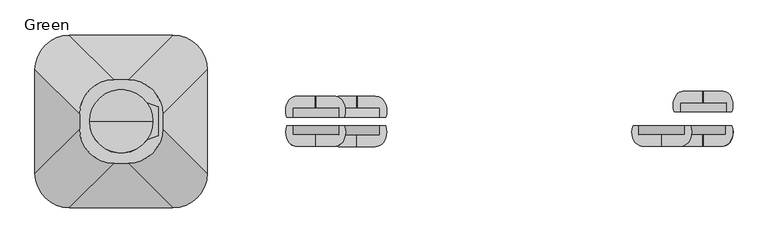
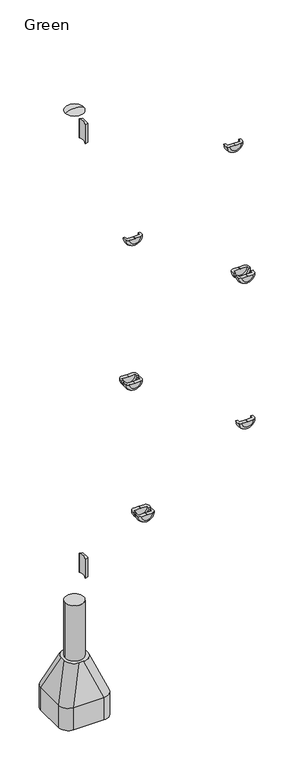
"""IFC4 building model written with IfcOpenShell, lengths in millimetres: furniture geometry, Green."""

from ifc_helpers import new_model, si_unit, point, frame, frame_2d, origin, place, context, project, spatial, polyline, circle_curve, ellipse_curve, trimmed, segment, composite_curve, outline, extrude, source, transform, mapped, element, save
from ifc_brep_helpers import plane_surface, cylinder_surface, revolved_surface, extruded_surface, advanced_brep


def green_6a09c37c(model_context):
    return source(origin(), model_context, "Body", "SolidModel", [
        extrude(outline(composite_curve([segment(trimmed(circle_curve(frame_2d((-627.9777489, 30.3699948)), 1.0), [point((-628.81792, 29.8276734))], [point((-627.6357288, 31.3096874))], False, "CARTESIAN"), True, "CONTINUOUS"), segment(polyline([(-627.6357288, 31.3096874), (-610.9579799, 25.2394832)]), True, "CONTINUOUS"), segment(trimmed(circle_curve(frame_2d((-611.3, 24.2997906)), 1.0), [point((-610.9579799, 25.2394832))], [point((-610.3, 24.2997906))], False, "CARTESIAN"), True, "CONTINUOUS"), segment(polyline([(-610.3, 24.2997906), (-610.3, -24.2997943)]), True, "CONTINUOUS"), segment(trimmed(circle_curve(frame_2d((-611.3, -24.2997943)), 1.0), [point((-610.3, -24.2997943))], [point((-610.9579799, -25.2394869))], False, "CARTESIAN"), True, "CONTINUOUS"), segment(polyline([(-610.9579799, -25.2394869), (-627.6357288, -31.3096911)]), True, "CONTINUOUS"), segment(trimmed(circle_curve(frame_2d((-627.9777489, -30.3699985)), 1.0), [point((-627.6357288, -31.3096911))], [point((-628.81792, -29.8276771))], False, "CARTESIAN"), True, "CONTINUOUS"), segment(trimmed(circle_curve(frame_2d((-675.0273324, -1.9e-06)), 55.0), [point((-628.81792, -29.8276771))], [point((-628.81792, 29.8276734))], True, "CARTESIAN"), True, "CONTINUOUS")], self_intersect=False)), frame((0.0, 0.0, 2790.0), z_axis=(0.0, 0.0, 1.0), x_axis=(1.0, 0.0, 0.0)), (0.0, 0.0, 1.0), 120.0),
        extrude(outline(composite_curve([segment(trimmed(circle_curve(frame_2d((-627.9777489, 30.3699948)), 1.0), [point((-628.81792, 29.8276734))], [point((-627.6357288, 31.3096874))], False, "CARTESIAN"), True, "CONTINUOUS"), segment(polyline([(-627.6357288, 31.3096874), (-610.9579799, 25.2394832)]), True, "CONTINUOUS"), segment(trimmed(circle_curve(frame_2d((-611.3, 24.2997906)), 1.0), [point((-610.9579799, 25.2394832))], [point((-610.3, 24.2997906))], False, "CARTESIAN"), True, "CONTINUOUS"), segment(polyline([(-610.3, 24.2997906), (-610.3, -24.2997943)]), True, "CONTINUOUS"), segment(trimmed(circle_curve(frame_2d((-611.3, -24.2997943)), 1.0), [point((-610.3, -24.2997943))], [point((-610.9579799, -25.2394869))], False, "CARTESIAN"), True, "CONTINUOUS"), segment(polyline([(-610.9579799, -25.2394869), (-627.6357288, -31.3096911)]), True, "CONTINUOUS"), segment(trimmed(circle_curve(frame_2d((-627.9777489, -30.3699985)), 1.0), [point((-627.6357288, -31.3096911))], [point((-628.81792, -29.8276771))], False, "CARTESIAN"), True, "CONTINUOUS"), segment(trimmed(circle_curve(frame_2d((-675.0273324, -1.9e-06)), 55.0), [point((-628.81792, -29.8276771))], [point((-628.81792, 29.8276734))], True, "CARTESIAN"), True, "CONTINUOUS")], self_intersect=False)), frame((0.0, 0.0, 40.0), z_axis=(0.0, 0.0, 1.0), x_axis=(1.0, 0.0, 0.0)), (0.0, 0.0, 1.0), 120.0),
        advanced_brep(
        [(-620.0, 0.0, 3000.0), (-730.0, 0.0, 3000.0), (-675.0, 0.0, 3012.0246565), (-675.0, 0.0, 3000.0)],
        [
            (0, 1, circle_curve(frame((-675.0, 0.0, 3000.0), z_axis=(0.0, 0.0, 1.0), x_axis=(-1.0, 0.0, 0.0)), 55.0)),
            (1, 2, circle_curve(frame((-679.5450144, 0.0, 2901.0177111), z_axis=(0.0, 1.0, 0.0), x_axis=(-1.0, 0.0, 0.0)), 111.0999509)),
            (2, 0, circle_curve(frame((-670.4549856, 0.0, 2901.0177111), z_axis=(0.0, 1.0, 0.0), x_axis=(1.0, 0.0, 0.0)), 111.0999509)),
            (1, 0, circle_curve(frame((-675.0, 0.0, 3000.0), z_axis=(0.0, 0.0, 1.0), x_axis=(-1.0, 0.0, 0.0)), 55.0)),
            (3, 1),
            (0, 3),
        ],
        [
            revolved_surface(trimmed(ellipse_curve(frame((-679.5450144, 0.0, 2901.0177111), z_axis=(0.0, -1.0, 0.0), x_axis=(-1.0, 0.0, 0.0)), 111.0999509, 111.0999509), [point((-675.0, 0.0, 3012.0246565))], [point((-730.0, 0.0, 3000.0))], True, "CARTESIAN"), (-675.0, 0.0, 2619.0), (0.0, 0.0, -1.0)),
            plane_surface(frame((-675.0, 0.0, 3000.0), z_axis=(0.0, 0.0, -1.0), x_axis=(-1.0, 0.0, 0.0))),
        ],
        [
            (0, [[1, 2, 3]]),
            (0, [[4, -3, -2]]),
            (1, [[5, -1, 6]]),
            (1, [[-6, -4, -5]]),
        ],
    ),
        extrude(outline(composite_curve([segment(trimmed(circle_curve(frame_2d((-675.0, 0.0)), 55.0), [point((-730.0, 0.0))], [point((-620.0, 0.0))], False, "CARTESIAN"), True, "CONTINUOUS"), segment(trimmed(circle_curve(frame_2d((-675.0, 0.0)), 55.0), [point((-620.0, 0.0))], [point((-730.0, 0.0))], False, "CARTESIAN"), True, "CONTINUOUS")], self_intersect=False)), frame((0.0, 0.0, -800.0), z_axis=(0.0, 0.0, 1.0), x_axis=(1.0, 0.0, 0.0)), (0.0, 0.0, 1.0), 700.0),
        advanced_brep(
        [(-585.0, 150.0, -800.0), (-525.0, 90.0, -800.0), (-525.0, -90.0, -800.0), (-585.0, -150.0, -800.0), (-765.0, -150.0, -800.0), (-825.0, -90.0, -800.0), (-825.0, 90.0, -800.0), (-765.0, 150.0, -800.0), (-765.0, 150.0, -660.0), (-585.0, 150.0, -660.0), (-825.0, -90.0, -660.0), (-825.0, 90.0, -660.0), (-585.0, -150.0, -660.0), (-765.0, -150.0, -660.0), (-525.0, 90.0, -660.0), (-525.0, -90.0, -660.0), (-687.2959549, 72.6989403, -450.0), (-747.2959549, 12.6989403, -450.0), (-747.2959549, -12.6989403, -450.0), (-687.2959549, -72.6989403, -450.0), (-662.7040451, -72.6989403, -450.0), (-602.7040451, -12.6989403, -450.0), (-602.7040451, 12.6989403, -450.0), (-662.7040451, 72.6989403, -450.0)],
        [
            (0, 1, circle_curve(frame((-585.0, 90.0, -800.0), z_axis=(0.0, 0.0, -1.0), x_axis=(1.0, 0.0, 0.0)), 60.0)),
            (1, 2),
            (2, 3, circle_curve(frame((-585.0, -90.0, -800.0), z_axis=(0.0, 0.0, -1.0), x_axis=(1.0, 0.0, 0.0)), 60.0)),
            (3, 4),
            (4, 5, circle_curve(frame((-765.0, -90.0, -800.0), z_axis=(0.0, 0.0, -1.0), x_axis=(1.0, 0.0, 0.0)), 60.0)),
            (5, 6),
            (6, 7, circle_curve(frame((-765.0, 90.0, -800.0), z_axis=(0.0, 0.0, -1.0), x_axis=(1.0, 0.0, 0.0)), 60.0)),
            (7, 0),
            (7, 8),
            (8, 9),
            (9, 0),
            (5, 10),
            (10, 11),
            (11, 6),
            (3, 12),
            (12, 13),
            (13, 4),
            (1, 14),
            (14, 15),
            (15, 2),
            (16, 17, circle_curve(frame((-687.2959549, 12.6989403, -450.0), z_axis=(0.0, 0.0, 1.0), x_axis=(1.0, 0.0, 0.0)), 60.0)),
            (17, 18),
            (18, 19, circle_curve(frame((-687.2959549, -12.6989403, -450.0), z_axis=(0.0, 0.0, 1.0), x_axis=(1.0, 0.0, 0.0)), 60.0)),
            (19, 20),
            (20, 21, circle_curve(frame((-662.7040451, -12.6989403, -450.0), z_axis=(0.0, 0.0, 1.0), x_axis=(1.0, 0.0, 0.0)), 60.0)),
            (21, 22),
            (22, 23, circle_curve(frame((-662.7040451, 12.6989403, -450.0), z_axis=(0.0, 0.0, 1.0), x_axis=(1.0, 0.0, 0.0)), 60.0)),
            (23, 16),
            (17, 11),
            (10, 18),
            (19, 13),
            (12, 20),
            (21, 15),
            (14, 22),
            (23, 9),
            (8, 16),
            (11, 8, circle_curve(frame((-765.0, 90.0, -660.0), z_axis=(0.0, 0.0, -1.0), x_axis=(1.0, 0.0, 0.0)), 60.0)),
            (13, 10, circle_curve(frame((-765.0, -90.0, -660.0), z_axis=(0.0, 0.0, -1.0), x_axis=(1.0, 0.0, 0.0)), 60.0)),
            (15, 12, circle_curve(frame((-585.0, -90.0, -660.0), z_axis=(0.0, 0.0, -1.0), x_axis=(1.0, 0.0, 0.0)), 60.0)),
            (9, 14, circle_curve(frame((-585.0, 90.0, -660.0), z_axis=(0.0, 0.0, -1.0), x_axis=(1.0, 0.0, 0.0)), 60.0)),
        ],
        [
            plane_surface(frame((-851.6329682, 150.0, -800.0), z_axis=(0.0, 0.0, -1.0), x_axis=(1.0, 0.0, 0.0))),
            plane_surface(frame((-585.0, 150.0, -660.0), z_axis=(0.0, 1.0, 0.0), x_axis=(0.0, 0.0, -1.0))),
            plane_surface(frame((-825.0, 90.0, -660.0), z_axis=(-1.0, 0.0, 0.0), x_axis=(0.0, 0.0, -1.0))),
            plane_surface(frame((-765.0, -150.0, -660.0), z_axis=(0.0, -1.0, 0.0), x_axis=(0.0, 0.0, -1.0))),
            plane_surface(frame((-525.0, -90.0, -660.0), z_axis=(1.0, 0.0, 0.0), x_axis=(0.0, 0.0, -1.0))),
            plane_surface(frame((-675.0, 0.0, -450.0), z_axis=(0.0, 0.0, 1.0), x_axis=(-1.0, 0.0, 0.0))),
            plane_surface(frame((-825.0, 0.0, -660.0), z_axis=(-0.9378559633153523, 0.0, 0.3470247715564883), x_axis=(0.0, -1.0, 0.0))),
            plane_surface(frame((-675.0, -150.0, -660.0), z_axis=(0.0, -0.9384407279810882, 0.3454402988452927), x_axis=(1.0, 0.0, 0.0))),
            plane_surface(frame((-525.0, 0.0, -660.0), z_axis=(0.9378559633153524, 0.0, 0.34702477155648764), x_axis=(0.0, 1.0, 0.0))),
            plane_surface(frame((-675.0, 150.0, -660.0), z_axis=(0.0, 0.9384407279810884, 0.3454402988452924), x_axis=(-1.0, 0.0, 0.0))),
            cylinder_surface(frame((-765.0, 90.0, -800.0), z_axis=(0.0, 0.0, 1.0), x_axis=(1.0, 0.0, 0.0)), 60.0),
            cylinder_surface(frame((-765.0, -90.0, -800.0), z_axis=(0.0, 0.0, 1.0), x_axis=(1.0, 0.0, 0.0)), 60.0),
            cylinder_surface(frame((-585.0, -90.0, -800.0), z_axis=(0.0, 0.0, 1.0), x_axis=(1.0, 0.0, 0.0)), 60.0),
            cylinder_surface(frame((-585.0, 90.0, -800.0), z_axis=(0.0, 0.0, 1.0), x_axis=(1.0, 0.0, 0.0)), 60.0),
            extruded_surface(trimmed(circle_curve(frame((-765.0, 90.0, -660.0), z_axis=(0.0, 0.0, 1.0), x_axis=(1.0, 0.0, 0.0)), 60.0), [point((-765.0, 150.0, -660.0))], [point((-825.0, 90.0, -660.0))], True, "CARTESIAN"), (77.70404510000003, -77.3010597, 210.0), 236.88261324049472),
            extruded_surface(trimmed(circle_curve(frame((-585.0, 90.0, -660.0), z_axis=(0.0, 0.0, 1.0), x_axis=(1.0, 0.0, 0.0)), 60.0), [point((-525.0, 90.0, -660.0))], [point((-585.0, 150.0, -660.0))], True, "CARTESIAN"), (-77.70404510000003, -77.3010597, 210.0), 236.88261324049472),
            extruded_surface(trimmed(circle_curve(frame((-765.0, -90.0, -660.0), z_axis=(0.0, 0.0, 1.0), x_axis=(1.0, 0.0, 0.0)), 60.0), [point((-825.0, -90.0, -660.0))], [point((-765.0, -150.0, -660.0))], True, "CARTESIAN"), (77.70404510000003, 77.3010597, 210.0), 236.88261324049472),
            extruded_surface(trimmed(circle_curve(frame((-585.0, -90.0, -660.0), z_axis=(0.0, 0.0, 1.0), x_axis=(1.0, 0.0, 0.0)), 60.0), [point((-585.0, -150.0, -660.0))], [point((-525.0, -90.0, -660.0))], True, "CARTESIAN"), (-77.70404510000003, 77.3010597, 210.0), 236.88261324049472),
        ],
        [
            (0, [[1, 2, 3, 4, 5, 6, 7, 8]]),
            (1, [[-8, 9, 10, 11]]),
            (2, [[-6, 12, 13, 14]]),
            (3, [[-4, 15, 16, 17]]),
            (4, [[-2, 18, 19, 20]]),
            (5, [[21, 22, 23, 24, 25, 26, 27, 28]]),
            (6, [[-22, 29, -13, 30]]),
            (7, [[-24, 31, -16, 32]]),
            (8, [[-26, 33, -19, 34]]),
            (9, [[-28, 35, -10, 36]]),
            (10, [[-7, -14, 37, -9]]),
            (11, [[-5, -17, 38, -12]]),
            (12, [[-3, -20, 39, -15]]),
            (13, [[-1, -11, 40, -18]]),
            (14, [[-21, -36, -37, -29]]),
            (15, [[-27, -34, -40, -35]]),
            (16, [[-23, -30, -38, -31]]),
            (17, [[-25, -32, -39, -33]]),
        ],
    ),
        advanced_brep(
        [(-286.8, -7.5000023, 2095.0), (-296.8, -7.5000023, 2095.0), (-296.8, -23.6334336, 2095.0), (-336.6, -23.6334336, 2095.0), (-336.6, -43.6334336, 2095.0), (-304.7059358, -43.6334336, 2095.0), (-289.0570442, -34.5545434, 2095.0), (-386.8, -7.5000023, 2095.0), (-384.5429558, -34.5545434, 2095.0), (-368.8940642, -43.6334336, 2095.0), (-337.0, -43.6334336, 2095.0), (-337.0, -23.6334336, 2095.0), (-376.8, -23.6334336, 2095.0), (-376.8, -7.5000023, 2095.0)],
        [
            (0, 1),
            (1, 2),
            (2, 3),
            (3, 4),
            (4, 5),
            (5, 6, circle_curve(frame((-304.7059358, -25.6073286, 2095.0), z_axis=(0.0, 0.0, 1.0), x_axis=(-1.0, 0.0, 0.0)), 18.026105)),
            (6, 0, circle_curve(frame((-316.9513924, -18.6060194, 2095.0), z_axis=(0.0, 0.0, 1.0), x_axis=(-1.0, 0.0, 0.0)), 32.1317612)),
            (7, 8, circle_curve(frame((-356.6486076, -18.6060194, 2095.0), z_axis=(0.0, 0.0, 1.0), x_axis=(1.0, 0.0, 0.0)), 32.1317612)),
            (8, 9, circle_curve(frame((-368.8940642, -25.6073286, 2095.0), z_axis=(0.0, 0.0, 1.0), x_axis=(1.0, 0.0, 0.0)), 18.026105)),
            (9, 10),
            (10, 11),
            (11, 12),
            (12, 13),
            (13, 7),
            (13, 1, circle_curve(frame((-336.8, -7.5000023, 2095.0), z_axis=(0.0, -1.0, 0.0), x_axis=(1.0, 0.0, 0.0)), 40.0)),
            (0, 7, circle_curve(frame((-336.8, -7.5000023, 2095.0), z_axis=(0.0, 1.0, 0.0), x_axis=(1.0, 0.0, 0.0)), 50.0)),
            (12, 2, circle_curve(frame((-336.8, -23.6334336, 2095.0), z_axis=(0.0, -1.0, 0.0), x_axis=(1.0, 0.0, 0.0)), 40.0)),
            (9, 5, circle_curve(frame((-336.8, -43.6334336, 2095.0), z_axis=(0.0, -1.0, 0.0), x_axis=(1.0, 0.0, 0.0)), 32.0940642)),
            (4, 10, circle_curve(frame((-336.8, -43.6334336, 2095.0), z_axis=(0.0, 1.0, 0.0), x_axis=(1.0, 0.0, 0.0)), 0.2)),
            (11, 3, circle_curve(frame((-336.8, -23.6334336, 2095.0), z_axis=(0.0, -1.0, 0.0), x_axis=(1.0, 0.0, 0.0)), 0.2)),
            (8, 6, circle_curve(frame((-336.8, -34.5545434, 2095.0), z_axis=(0.0, -1.0, 0.0), x_axis=(1.0, 0.0, 0.0)), 47.7429558)),
        ],
        [
            plane_surface(frame((-296.8, -7.5000023, 2095.0), z_axis=(0.0, 0.0, 1.0), x_axis=(0.0, 1.0, 0.0))),
            plane_surface(frame((-376.8, -7.5000023, 2095.0), z_axis=(0.0, 0.0, 1.0), x_axis=(0.0, 1.0, 0.0))),
            plane_surface(frame((-336.8, -7.5000023, 2095.0), z_axis=(0.0, 1.0, 0.0), x_axis=(1.0, 0.0, 0.0))),
            revolved_surface(polyline([(-296.8, -7.5000023, 2095.0), (-296.8, -23.633433599999996, 2095.0)]), (-336.8, -7.5000023, 2095.0), (0.0, 1.0, 0.0)),
            plane_surface(frame((-336.8, -43.6334336, 2095.0), z_axis=(0.0, -1.0, 0.0), x_axis=(1.0, 0.0, 0.0))),
            plane_surface(frame((-336.8, -23.6334336, 2095.0), z_axis=(0.0, 1.0, 0.0), x_axis=(1.0, 0.0, 0.0))),
            revolved_surface(polyline([(-336.6, -23.633433599999996, 2095.0), (-336.6, -43.6334336, 2095.0)]), (-336.8, -7.5000023, 2095.0), (0.0, 1.0, 0.0)),
            revolved_surface(trimmed(ellipse_curve(frame((-304.7059358, -25.6073286, 2095.0), z_axis=(0.0, 0.0, 1.0), x_axis=(-1.0, 0.0, 0.0)), 18.026105, 18.026105), [point((-304.7059358, -43.6334336, 2095.0))], [point((-289.0570442, -34.5545434, 2095.0))], True, "CARTESIAN"), (-336.8, -7.5000023, 2095.0), (0.0, 1.0, 0.0)),
            revolved_surface(trimmed(ellipse_curve(frame((-316.9513924, -18.6060194, 2095.0), z_axis=(0.0, 0.0, 1.0), x_axis=(-1.0, 0.0, 0.0)), 32.1317612, 32.1317612), [point((-289.0570442, -34.5545434, 2095.0))], [point((-286.8, -7.5000023, 2095.0))], True, "CARTESIAN"), (-336.8, -7.5000023, 2095.0), (0.0, 1.0, 0.0)),
        ],
        [
            (0, [[1, 2, 3, 4, 5, 6, 7]]),
            (1, [[8, 9, 10, 11, 12, 13, 14]]),
            (2, [[15, -1, 16, -14]]),
            (3, [[17, -2, -15, -13]]),
            (4, [[18, -5, 19, -10]]),
            (5, [[20, -3, -17, -12]]),
            (6, [[-19, -4, -20, -11]]),
            (7, [[21, -6, -18, -9]]),
            (8, [[-16, -7, -21, -8]]),
        ],
    ),
        advanced_brep(
        [(315.2, -7.5000023, 2475.0), (305.2, -7.5000023, 2475.0), (305.2, -23.6334336, 2475.0), (265.4, -23.6334336, 2475.0), (265.4, -43.6334336, 2475.0), (297.2940642, -43.6334336, 2475.0), (312.9429558, -34.5545434, 2475.0), (215.2, -7.5000023, 2475.0), (217.4570442, -34.5545434, 2475.0), (233.1059358, -43.6334336, 2475.0), (265.0, -43.6334336, 2475.0), (265.0, -23.6334336, 2475.0), (225.2, -23.6334336, 2475.0), (225.2, -7.5000023, 2475.0)],
        [
            (0, 1),
            (1, 2),
            (2, 3),
            (3, 4),
            (4, 5),
            (5, 6, circle_curve(frame((297.2940642, -25.6073286, 2475.0), z_axis=(0.0, 0.0, 1.0), x_axis=(-1.0, 0.0, 0.0)), 18.026105)),
            (6, 0, circle_curve(frame((285.0486076, -18.6060194, 2475.0), z_axis=(0.0, 0.0, 1.0), x_axis=(-1.0, 0.0, 0.0)), 32.1317612)),
            (7, 8, circle_curve(frame((245.3513924, -18.6060194, 2475.0), z_axis=(0.0, 0.0, 1.0), x_axis=(1.0, 0.0, 0.0)), 32.1317612)),
            (8, 9, circle_curve(frame((233.1059358, -25.6073286, 2475.0), z_axis=(0.0, 0.0, 1.0), x_axis=(1.0, 0.0, 0.0)), 18.026105)),
            (9, 10),
            (10, 11),
            (11, 12),
            (12, 13),
            (13, 7),
            (13, 1, circle_curve(frame((265.2, -7.5000023, 2475.0), z_axis=(0.0, -1.0, 0.0), x_axis=(1.0, 0.0, 0.0)), 40.0)),
            (0, 7, circle_curve(frame((265.2, -7.5000023, 2475.0), z_axis=(0.0, 1.0, 0.0), x_axis=(1.0, 0.0, 0.0)), 50.0)),
            (12, 2, circle_curve(frame((265.2, -23.6334336, 2475.0), z_axis=(0.0, -1.0, 0.0), x_axis=(1.0, 0.0, 0.0)), 40.0)),
            (9, 5, circle_curve(frame((265.2, -43.6334336, 2475.0), z_axis=(0.0, -1.0, 0.0), x_axis=(1.0, 0.0, 0.0)), 32.0940642)),
            (4, 10, circle_curve(frame((265.2, -43.6334336, 2475.0), z_axis=(0.0, 1.0, 0.0), x_axis=(1.0, 0.0, 0.0)), 0.2)),
            (11, 3, circle_curve(frame((265.2, -23.6334336, 2475.0), z_axis=(0.0, -1.0, 0.0), x_axis=(1.0, 0.0, 0.0)), 0.2)),
            (8, 6, circle_curve(frame((265.2, -34.5545434, 2475.0), z_axis=(0.0, -1.0, 0.0), x_axis=(1.0, 0.0, 0.0)), 47.7429558)),
        ],
        [
            plane_surface(frame((305.2, -7.5000023, 2475.0), z_axis=(0.0, 0.0, 1.0), x_axis=(0.0, 1.0, 0.0))),
            plane_surface(frame((225.2, -7.5000023, 2475.0), z_axis=(0.0, 0.0, 1.0), x_axis=(0.0, 1.0, 0.0))),
            plane_surface(frame((265.2, -7.5000023, 2475.0), z_axis=(0.0, 1.0, 0.0), x_axis=(1.0, 0.0, 0.0))),
            revolved_surface(polyline([(305.2, -7.5000023, 2475.0), (305.2, -23.633433599999996, 2475.0)]), (265.2, -7.5000023, 2475.0), (0.0, 1.0, 0.0)),
            plane_surface(frame((265.2, -43.6334336, 2475.0), z_axis=(0.0, -1.0, 0.0), x_axis=(1.0, 0.0, 0.0))),
            plane_surface(frame((265.2, -23.6334336, 2475.0), z_axis=(0.0, 1.0, 0.0), x_axis=(1.0, 0.0, 0.0))),
            revolved_surface(polyline([(265.4, -23.633433599999996, 2475.0), (265.4, -43.6334336, 2475.0)]), (265.2, -7.5000023, 2475.0), (0.0, 1.0, 0.0)),
            revolved_surface(trimmed(ellipse_curve(frame((297.2940642, -25.6073286, 2475.0), z_axis=(0.0, 0.0, 1.0), x_axis=(-1.0, 0.0, 0.0)), 18.026105, 18.026105), [point((297.2940642, -43.6334336, 2475.0))], [point((312.9429558, -34.5545434, 2475.0))], True, "CARTESIAN"), (265.2, -7.5000023, 2475.0), (0.0, 1.0, 0.0)),
            revolved_surface(trimmed(ellipse_curve(frame((285.0486076, -18.6060194, 2475.0), z_axis=(0.0, 0.0, 1.0), x_axis=(-1.0, 0.0, 0.0)), 32.1317612, 32.1317612), [point((312.9429558, -34.5545434, 2475.0))], [point((315.2, -7.5000023, 2475.0))], True, "CARTESIAN"), (265.2, -7.5000023, 2475.0), (0.0, 1.0, 0.0)),
        ],
        [
            (0, [[1, 2, 3, 4, 5, 6, 7]]),
            (1, [[8, 9, 10, 11, 12, 13, 14]]),
            (2, [[15, -1, 16, -14]]),
            (3, [[17, -2, -15, -13]]),
            (4, [[18, -5, 19, -10]]),
            (5, [[20, -3, -17, -12]]),
            (6, [[-19, -4, -20, -11]]),
            (7, [[21, -6, -18, -9]]),
            (8, [[-16, -7, -21, -8]]),
        ],
    ),
        advanced_brep(
        [(386.8, -7.5000023, 1620.0), (376.8, -7.5000023, 1620.0), (376.8, -23.6334336, 1620.0), (337.0, -23.6334336, 1620.0), (337.0, -43.6334336, 1620.0), (368.8940642, -43.6334336, 1620.0), (384.5429558, -34.5545434, 1620.0), (286.8, -7.5000023, 1620.0), (289.0570442, -34.5545434, 1620.0), (304.7059358, -43.6334336, 1620.0), (336.6, -43.6334336, 1620.0), (336.6, -23.6334336, 1620.0), (296.8, -23.6334336, 1620.0), (296.8, -7.5000023, 1620.0)],
        [
            (0, 1),
            (1, 2),
            (2, 3),
            (3, 4),
            (4, 5),
            (5, 6, circle_curve(frame((368.8940642, -25.6073286, 1620.0), z_axis=(0.0, 0.0, 1.0), x_axis=(-1.0, 0.0, 0.0)), 18.026105)),
            (6, 0, circle_curve(frame((356.6486076, -18.6060194, 1620.0), z_axis=(0.0, 0.0, 1.0), x_axis=(-1.0, 0.0, 0.0)), 32.1317612)),
            (7, 8, circle_curve(frame((316.9513924, -18.6060194, 1620.0), z_axis=(0.0, 0.0, 1.0), x_axis=(1.0, 0.0, 0.0)), 32.1317612)),
            (8, 9, circle_curve(frame((304.7059358, -25.6073286, 1620.0), z_axis=(0.0, 0.0, 1.0), x_axis=(1.0, 0.0, 0.0)), 18.026105)),
            (9, 10),
            (10, 11),
            (11, 12),
            (12, 13),
            (13, 7),
            (13, 1, circle_curve(frame((336.8, -7.5000023, 1620.0), z_axis=(0.0, -1.0, 0.0), x_axis=(1.0, 0.0, 0.0)), 40.0)),
            (0, 7, circle_curve(frame((336.8, -7.5000023, 1620.0), z_axis=(0.0, 1.0, 0.0), x_axis=(1.0, 0.0, 0.0)), 50.0)),
            (12, 2, circle_curve(frame((336.8, -23.6334336, 1620.0), z_axis=(0.0, -1.0, 0.0), x_axis=(1.0, 0.0, 0.0)), 40.0)),
            (9, 5, circle_curve(frame((336.8, -43.6334336, 1620.0), z_axis=(0.0, -1.0, 0.0), x_axis=(1.0, 0.0, 0.0)), 32.0940642)),
            (4, 10, circle_curve(frame((336.8, -43.6334336, 1620.0), z_axis=(0.0, 1.0, 0.0), x_axis=(1.0, 0.0, 0.0)), 0.2)),
            (11, 3, circle_curve(frame((336.8, -23.6334336, 1620.0), z_axis=(0.0, -1.0, 0.0), x_axis=(1.0, 0.0, 0.0)), 0.2)),
            (8, 6, circle_curve(frame((336.8, -34.5545434, 1620.0), z_axis=(0.0, -1.0, 0.0), x_axis=(1.0, 0.0, 0.0)), 47.7429558)),
        ],
        [
            plane_surface(frame((376.8, -7.5000023, 1620.0), z_axis=(0.0, 0.0, 1.0), x_axis=(0.0, 1.0, 0.0))),
            plane_surface(frame((296.8, -7.5000023, 1620.0), z_axis=(0.0, 0.0, 1.0), x_axis=(0.0, 1.0, 0.0))),
            plane_surface(frame((336.8, -7.5000023, 1620.0), z_axis=(0.0, 1.0, 0.0), x_axis=(1.0, 0.0, 0.0))),
            revolved_surface(polyline([(376.8, -7.5000023, 1620.0), (376.8, -23.633433599999996, 1620.0)]), (336.8, -7.5000023, 1620.0), (0.0, 1.0, 0.0)),
            plane_surface(frame((336.8, -43.6334336, 1620.0), z_axis=(0.0, -1.0, 0.0), x_axis=(1.0, 0.0, 0.0))),
            plane_surface(frame((336.8, -23.6334336, 1620.0), z_axis=(0.0, 1.0, 0.0), x_axis=(1.0, 0.0, 0.0))),
            revolved_surface(polyline([(337.0, -23.633433599999996, 1620.0), (337.0, -43.6334336, 1620.0)]), (336.8, -7.5000023, 1620.0), (0.0, 1.0, 0.0)),
            revolved_surface(trimmed(ellipse_curve(frame((368.8940642, -25.6073286, 1620.0), z_axis=(0.0, 0.0, 1.0), x_axis=(-1.0, 0.0, 0.0)), 18.026105, 18.026105), [point((368.8940642, -43.6334336, 1620.0))], [point((384.5429558, -34.5545434, 1620.0))], True, "CARTESIAN"), (336.8, -7.5000023, 1620.0), (0.0, 1.0, 0.0)),
            revolved_surface(trimmed(ellipse_curve(frame((356.6486076, -18.6060194, 1620.0), z_axis=(0.0, 0.0, 1.0), x_axis=(-1.0, 0.0, 0.0)), 32.1317612, 32.1317612), [point((384.5429558, -34.5545434, 1620.0))], [point((386.8, -7.5000023, 1620.0))], True, "CARTESIAN"), (336.8, -7.5000023, 1620.0), (0.0, 1.0, 0.0)),
        ],
        [
            (0, [[1, 2, 3, 4, 5, 6, 7]]),
            (1, [[8, 9, 10, 11, 12, 13, 14]]),
            (2, [[15, -1, 16, -14]]),
            (3, [[17, -2, -15, -13]]),
            (4, [[18, -5, 19, -10]]),
            (5, [[20, -3, -17, -12]]),
            (6, [[-19, -4, -20, -11]]),
            (7, [[21, -6, -18, -9]]),
            (8, [[-16, -7, -21, -8]]),
        ],
    ),
        advanced_brep(
        [(-215.2, -7.5000023, 321.0), (-225.2, -7.5000023, 321.0), (-225.2, -23.6334336, 321.0), (-265.0, -23.6334336, 321.0), (-265.0, -43.6334336, 321.0), (-233.1059358, -43.6334336, 321.0), (-217.4570442, -34.5545434, 321.0), (-315.2, -7.5000023, 321.0), (-312.9429558, -34.5545434, 321.0), (-297.2940642, -43.6334336, 321.0), (-265.4, -43.6334336, 321.0), (-265.4, -23.6334336, 321.0), (-305.2, -23.6334336, 321.0), (-305.2, -7.5000023, 321.0)],
        [
            (0, 1),
            (1, 2),
            (2, 3),
            (3, 4),
            (4, 5),
            (5, 6, circle_curve(frame((-233.1059358, -25.6073286, 321.0), z_axis=(0.0, 0.0, 1.0), x_axis=(-1.0, 0.0, 0.0)), 18.026105)),
            (6, 0, circle_curve(frame((-245.3513924, -18.6060194, 321.0), z_axis=(0.0, 0.0, 1.0), x_axis=(-1.0, 0.0, 0.0)), 32.1317612)),
            (7, 8, circle_curve(frame((-285.0486076, -18.6060194, 321.0), z_axis=(0.0, 0.0, 1.0), x_axis=(1.0, 0.0, 0.0)), 32.1317612)),
            (8, 9, circle_curve(frame((-297.2940642, -25.6073286, 321.0), z_axis=(0.0, 0.0, 1.0), x_axis=(1.0, 0.0, 0.0)), 18.026105)),
            (9, 10),
            (10, 11),
            (11, 12),
            (12, 13),
            (13, 7),
            (13, 1, circle_curve(frame((-265.2, -7.5000023, 321.0), z_axis=(0.0, -1.0, 0.0), x_axis=(1.0, 0.0, 0.0)), 40.0)),
            (0, 7, circle_curve(frame((-265.2, -7.5000023, 321.0), z_axis=(0.0, 1.0, 0.0), x_axis=(1.0, 0.0, 0.0)), 50.0)),
            (12, 2, circle_curve(frame((-265.2, -23.6334336, 321.0), z_axis=(0.0, -1.0, 0.0), x_axis=(1.0, 0.0, 0.0)), 40.0)),
            (9, 5, circle_curve(frame((-265.2, -43.6334336, 321.0), z_axis=(0.0, -1.0, 0.0), x_axis=(1.0, 0.0, 0.0)), 32.0940642)),
            (4, 10, circle_curve(frame((-265.2, -43.6334336, 321.0), z_axis=(0.0, 1.0, 0.0), x_axis=(1.0, 0.0, 0.0)), 0.2)),
            (11, 3, circle_curve(frame((-265.2, -23.6334336, 321.0), z_axis=(0.0, -1.0, 0.0), x_axis=(1.0, 0.0, 0.0)), 0.2)),
            (8, 6, circle_curve(frame((-265.2, -34.5545434, 321.0), z_axis=(0.0, -1.0, 0.0), x_axis=(1.0, 0.0, 0.0)), 47.7429558)),
        ],
        [
            plane_surface(frame((-225.2, -7.5000023, 321.0), z_axis=(0.0, 0.0, 1.0), x_axis=(0.0, 1.0, 0.0))),
            plane_surface(frame((-305.2, -7.5000023, 321.0), z_axis=(0.0, 0.0, 1.0), x_axis=(0.0, 1.0, 0.0))),
            plane_surface(frame((-265.2, -7.5000023, 321.0), z_axis=(0.0, 1.0, 0.0), x_axis=(1.0, 0.0, 0.0))),
            revolved_surface(polyline([(-225.2, -7.5000023, 321.0), (-225.2, -23.633433599999996, 321.0)]), (-265.2, -7.5000023, 321.0), (0.0, 1.0, 0.0)),
            plane_surface(frame((-265.2, -43.6334336, 321.0), z_axis=(0.0, -1.0, 0.0), x_axis=(1.0, 0.0, 0.0))),
            plane_surface(frame((-265.2, -23.6334336, 321.0), z_axis=(0.0, 1.0, 0.0), x_axis=(1.0, 0.0, 0.0))),
            revolved_surface(polyline([(-265.0, -23.633433599999996, 321.0), (-265.0, -43.6334336, 321.0)]), (-265.2, -7.5000023, 321.0), (0.0, 1.0, 0.0)),
            revolved_surface(trimmed(ellipse_curve(frame((-233.1059358, -25.6073286, 321.0), z_axis=(0.0, 0.0, 1.0), x_axis=(-1.0, 0.0, 0.0)), 18.026105, 18.026105), [point((-233.1059358, -43.6334336, 321.0))], [point((-217.4570442, -34.5545434, 321.0))], True, "CARTESIAN"), (-265.2, -7.5000023, 321.0), (0.0, 1.0, 0.0)),
            revolved_surface(trimmed(ellipse_curve(frame((-245.3513924, -18.6060194, 321.0), z_axis=(0.0, 0.0, 1.0), x_axis=(-1.0, 0.0, 0.0)), 32.1317612, 32.1317612), [point((-217.4570442, -34.5545434, 321.0))], [point((-215.2, -7.5000023, 321.0))], True, "CARTESIAN"), (-265.2, -7.5000023, 321.0), (0.0, 1.0, 0.0)),
        ],
        [
            (0, [[1, 2, 3, 4, 5, 6, 7]]),
            (1, [[8, 9, 10, 11, 12, 13, 14]]),
            (2, [[15, -1, 16, -14]]),
            (3, [[17, -2, -15, -13]]),
            (4, [[18, -5, 19, -10]]),
            (5, [[20, -3, -17, -12]]),
            (6, [[-19, -4, -20, -11]]),
            (7, [[21, -6, -18, -9]]),
            (8, [[-16, -7, -21, -8]]),
        ],
    ),
        advanced_brep(
        [(387.2, -7.5000023, 700.0), (377.2, -7.5000023, 700.0), (377.2, -23.6334336, 700.0), (337.4, -23.6334336, 700.0), (337.4, -43.6334336, 700.0), (369.2940642, -43.6334336, 700.0), (384.9429558, -34.5545434, 700.0), (287.2, -7.5000023, 700.0), (289.4570442, -34.5545434, 700.0), (305.1059358, -43.6334336, 700.0), (337.0, -43.6334336, 700.0), (337.0, -23.6334336, 700.0), (297.2, -23.6334336, 700.0), (297.2, -7.5000023, 700.0)],
        [
            (0, 1),
            (1, 2),
            (2, 3),
            (3, 4),
            (4, 5),
            (5, 6, circle_curve(frame((369.2940642, -25.6073286, 700.0), z_axis=(0.0, 0.0, 1.0), x_axis=(-1.0, 0.0, 0.0)), 18.026105)),
            (6, 0, circle_curve(frame((357.0486076, -18.6060194, 700.0), z_axis=(0.0, 0.0, 1.0), x_axis=(-1.0, 0.0, 0.0)), 32.1317612)),
            (7, 8, circle_curve(frame((317.3513924, -18.6060194, 700.0), z_axis=(0.0, 0.0, 1.0), x_axis=(1.0, 0.0, 0.0)), 32.1317612)),
            (8, 9, circle_curve(frame((305.1059358, -25.6073286, 700.0), z_axis=(0.0, 0.0, 1.0), x_axis=(1.0, 0.0, 0.0)), 18.026105)),
            (9, 10),
            (10, 11),
            (11, 12),
            (12, 13),
            (13, 7),
            (13, 1, circle_curve(frame((337.2, -7.5000023, 700.0), z_axis=(0.0, -1.0, 0.0), x_axis=(1.0, 0.0, 0.0)), 40.0)),
            (0, 7, circle_curve(frame((337.2, -7.5000023, 700.0), z_axis=(0.0, 1.0, 0.0), x_axis=(1.0, 0.0, 0.0)), 50.0)),
            (12, 2, circle_curve(frame((337.2, -23.6334336, 700.0), z_axis=(0.0, -1.0, 0.0), x_axis=(1.0, 0.0, 0.0)), 40.0)),
            (9, 5, circle_curve(frame((337.2, -43.6334336, 700.0), z_axis=(0.0, -1.0, 0.0), x_axis=(1.0, 0.0, 0.0)), 32.0940642)),
            (4, 10, circle_curve(frame((337.2, -43.6334336, 700.0), z_axis=(0.0, 1.0, 0.0), x_axis=(1.0, 0.0, 0.0)), 0.2)),
            (11, 3, circle_curve(frame((337.2, -23.6334336, 700.0), z_axis=(0.0, -1.0, 0.0), x_axis=(1.0, 0.0, 0.0)), 0.2)),
            (8, 6, circle_curve(frame((337.2, -34.5545434, 700.0), z_axis=(0.0, -1.0, 0.0), x_axis=(1.0, 0.0, 0.0)), 47.7429558)),
        ],
        [
            plane_surface(frame((377.2, -7.5000023, 700.0), z_axis=(0.0, 0.0, 1.0), x_axis=(0.0, 1.0, 0.0))),
            plane_surface(frame((297.2, -7.5000023, 700.0), z_axis=(0.0, 0.0, 1.0), x_axis=(0.0, 1.0, 0.0))),
            plane_surface(frame((337.2, -7.5000023, 700.0), z_axis=(0.0, 1.0, 0.0), x_axis=(1.0, 0.0, 0.0))),
            revolved_surface(polyline([(377.2, -7.5000023, 700.0), (377.2, -23.633433599999996, 700.0)]), (337.2, -7.5000023, 700.0), (0.0, 1.0, 0.0)),
            plane_surface(frame((337.2, -43.6334336, 700.0), z_axis=(0.0, -1.0, 0.0), x_axis=(1.0, 0.0, 0.0))),
            plane_surface(frame((337.2, -23.6334336, 700.0), z_axis=(0.0, 1.0, 0.0), x_axis=(1.0, 0.0, 0.0))),
            revolved_surface(polyline([(337.4, -23.633433599999996, 700.0), (337.4, -43.6334336, 700.0)]), (337.2, -7.5000023, 700.0), (0.0, 1.0, 0.0)),
            revolved_surface(trimmed(ellipse_curve(frame((369.2940642, -25.6073286, 700.0), z_axis=(0.0, 0.0, 1.0), x_axis=(-1.0, 0.0, 0.0)), 18.026105, 18.026105), [point((369.2940642, -43.6334336, 700.0))], [point((384.9429558, -34.5545434, 700.0))], True, "CARTESIAN"), (337.2, -7.5000023, 700.0), (0.0, 1.0, 0.0)),
            revolved_surface(trimmed(ellipse_curve(frame((357.0486076, -18.6060194, 700.0), z_axis=(0.0, 0.0, 1.0), x_axis=(-1.0, 0.0, 0.0)), 32.1317612, 32.1317612), [point((384.9429558, -34.5545434, 700.0))], [point((387.2, -7.5000023, 700.0))], True, "CARTESIAN"), (337.2, -7.5000023, 700.0), (0.0, 1.0, 0.0)),
        ],
        [
            (0, [[1, 2, 3, 4, 5, 6, 7]]),
            (1, [[8, 9, 10, 11, 12, 13, 14]]),
            (2, [[15, -1, 16, -14]]),
            (3, [[17, -2, -15, -13]]),
            (4, [[18, -5, 19, -10]]),
            (5, [[20, -3, -17, -12]]),
            (6, [[-19, -4, -20, -11]]),
            (7, [[21, -6, -18, -9]]),
            (8, [[-16, -7, -21, -8]]),
        ],
    ),
        advanced_brep(
        [(-286.8, -7.5000023, 1180.0), (-296.8, -7.5000023, 1180.0), (-296.8, -23.6334336, 1180.0), (-336.6, -23.6334336, 1180.0), (-336.6, -43.6334336, 1180.0), (-304.7059358, -43.6334336, 1180.0), (-289.0570442, -34.5545434, 1180.0), (-386.8, -7.5000023, 1180.0), (-384.5429558, -34.5545434, 1180.0), (-368.8940642, -43.6334336, 1180.0), (-337.0, -43.6334336, 1180.0), (-337.0, -23.6334336, 1180.0), (-376.8, -23.6334336, 1180.0), (-376.8, -7.5000023, 1180.0)],
        [
            (0, 1),
            (1, 2),
            (2, 3),
            (3, 4),
            (4, 5),
            (5, 6, circle_curve(frame((-304.7059358, -25.6073286, 1180.0), z_axis=(0.0, 0.0, 1.0), x_axis=(-1.0, 0.0, 0.0)), 18.026105)),
            (6, 0, circle_curve(frame((-316.9513924, -18.6060194, 1180.0), z_axis=(0.0, 0.0, 1.0), x_axis=(-1.0, 0.0, 0.0)), 32.1317612)),
            (7, 8, circle_curve(frame((-356.6486076, -18.6060194, 1180.0), z_axis=(0.0, 0.0, 1.0), x_axis=(1.0, 0.0, 0.0)), 32.1317612)),
            (8, 9, circle_curve(frame((-368.8940642, -25.6073286, 1180.0), z_axis=(0.0, 0.0, 1.0), x_axis=(1.0, 0.0, 0.0)), 18.026105)),
            (9, 10),
            (10, 11),
            (11, 12),
            (12, 13),
            (13, 7),
            (13, 1, circle_curve(frame((-336.8, -7.5000023, 1180.0), z_axis=(0.0, -1.0, 0.0), x_axis=(1.0, 0.0, 0.0)), 40.0)),
            (0, 7, circle_curve(frame((-336.8, -7.5000023, 1180.0), z_axis=(0.0, 1.0, 0.0), x_axis=(1.0, 0.0, 0.0)), 50.0)),
            (12, 2, circle_curve(frame((-336.8, -23.6334336, 1180.0), z_axis=(0.0, -1.0, 0.0), x_axis=(1.0, 0.0, 0.0)), 40.0)),
            (9, 5, circle_curve(frame((-336.8, -43.6334336, 1180.0), z_axis=(0.0, -1.0, 0.0), x_axis=(1.0, 0.0, 0.0)), 32.0940642)),
            (4, 10, circle_curve(frame((-336.8, -43.6334336, 1180.0), z_axis=(0.0, 1.0, 0.0), x_axis=(1.0, 0.0, 0.0)), 0.2)),
            (11, 3, circle_curve(frame((-336.8, -23.6334336, 1180.0), z_axis=(0.0, -1.0, 0.0), x_axis=(1.0, 0.0, 0.0)), 0.2)),
            (8, 6, circle_curve(frame((-336.8, -34.5545434, 1180.0), z_axis=(0.0, -1.0, 0.0), x_axis=(1.0, 0.0, 0.0)), 47.7429558)),
        ],
        [
            plane_surface(frame((-296.8, -7.5000023, 1180.0), z_axis=(0.0, 0.0, 1.0), x_axis=(0.0, 1.0, 0.0))),
            plane_surface(frame((-376.8, -7.5000023, 1180.0), z_axis=(0.0, 0.0, 1.0), x_axis=(0.0, 1.0, 0.0))),
            plane_surface(frame((-336.8, -7.5000023, 1180.0), z_axis=(0.0, 1.0, 0.0), x_axis=(1.0, 0.0, 0.0))),
            revolved_surface(polyline([(-296.8, -7.5000023, 1180.0), (-296.8, -23.633433599999996, 1180.0)]), (-336.8, -7.5000023, 1180.0), (0.0, 1.0, 0.0)),
            plane_surface(frame((-336.8, -43.6334336, 1180.0), z_axis=(0.0, -1.0, 0.0), x_axis=(1.0, 0.0, 0.0))),
            plane_surface(frame((-336.8, -23.6334336, 1180.0), z_axis=(0.0, 1.0, 0.0), x_axis=(1.0, 0.0, 0.0))),
            revolved_surface(polyline([(-336.6, -23.633433599999996, 1180.0), (-336.6, -43.6334336, 1180.0)]), (-336.8, -7.5000023, 1180.0), (0.0, 1.0, 0.0)),
            revolved_surface(trimmed(ellipse_curve(frame((-304.7059358, -25.6073286, 1180.0), z_axis=(0.0, 0.0, 1.0), x_axis=(-1.0, 0.0, 0.0)), 18.026105, 18.026105), [point((-304.7059358, -43.6334336, 1180.0))], [point((-289.0570442, -34.5545434, 1180.0))], True, "CARTESIAN"), (-336.8, -7.5000023, 1180.0), (0.0, 1.0, 0.0)),
            revolved_surface(trimmed(ellipse_curve(frame((-316.9513924, -18.6060194, 1180.0), z_axis=(0.0, 0.0, 1.0), x_axis=(-1.0, 0.0, 0.0)), 32.1317612, 32.1317612), [point((-289.0570442, -34.5545434, 1180.0))], [point((-286.8, -7.5000023, 1180.0))], True, "CARTESIAN"), (-336.8, -7.5000023, 1180.0), (0.0, 1.0, 0.0)),
        ],
        [
            (0, [[1, 2, 3, 4, 5, 6, 7]]),
            (1, [[8, 9, 10, 11, 12, 13, 14]]),
            (2, [[15, -1, 16, -14]]),
            (3, [[17, -2, -15, -13]]),
            (4, [[18, -5, 19, -10]]),
            (5, [[20, -3, -17, -12]]),
            (6, [[-19, -4, -20, -11]]),
            (7, [[21, -6, -18, -9]]),
            (8, [[-16, -7, -21, -8]]),
        ],
    ),
        advanced_brep(
        [(-387.0, 7.5, 1180.0), (-377.0, 7.5, 1180.0), (-377.0, 23.6334312, 1180.0), (-337.2, 23.6334312, 1180.0), (-337.2, 43.6334312, 1180.0), (-369.0940642, 43.6334312, 1180.0), (-384.7429558, 34.554541, 1180.0), (-287.0, 7.5, 1180.0), (-289.2570442, 34.554541, 1180.0), (-304.9059358, 43.6334312, 1180.0), (-336.8, 43.6334312, 1180.0), (-336.8, 23.6334312, 1180.0), (-297.0, 23.6334312, 1180.0), (-297.0, 7.5, 1180.0)],
        [
            (0, 1),
            (1, 2),
            (2, 3),
            (3, 4),
            (4, 5),
            (5, 6, circle_curve(frame((-369.0940642, 25.6073263, 1180.0), z_axis=(0.0, 0.0, 1.0), x_axis=(1.0, 0.0, 0.0)), 18.026105)),
            (6, 0, circle_curve(frame((-356.8486076, 18.606017, 1180.0), z_axis=(0.0, 0.0, 1.0), x_axis=(1.0, 0.0, 0.0)), 32.1317612)),
            (7, 8, circle_curve(frame((-317.1513924, 18.606017, 1180.0), z_axis=(0.0, 0.0, 1.0), x_axis=(-1.0, 0.0, 0.0)), 32.1317612)),
            (8, 9, circle_curve(frame((-304.9059358, 25.6073263, 1180.0), z_axis=(0.0, 0.0, 1.0), x_axis=(-1.0, 0.0, 0.0)), 18.026105)),
            (9, 10),
            (10, 11),
            (11, 12),
            (12, 13),
            (13, 7),
            (13, 1, circle_curve(frame((-337.0, 7.5, 1180.0), z_axis=(0.0, 1.0, 0.0), x_axis=(-1.0, 0.0, 0.0)), 40.0)),
            (0, 7, circle_curve(frame((-337.0, 7.5, 1180.0), z_axis=(0.0, -1.0, 0.0), x_axis=(-1.0, 0.0, 0.0)), 50.0)),
            (12, 2, circle_curve(frame((-337.0, 23.6334312, 1180.0), z_axis=(0.0, 1.0, 0.0), x_axis=(-1.0, 0.0, 0.0)), 40.0)),
            (9, 5, circle_curve(frame((-337.0, 43.6334312, 1180.0), z_axis=(0.0, 1.0, 0.0), x_axis=(-1.0, 0.0, 0.0)), 32.0940642)),
            (4, 10, circle_curve(frame((-337.0, 43.6334312, 1180.0), z_axis=(0.0, -1.0, 0.0), x_axis=(-1.0, 0.0, 0.0)), 0.2)),
            (11, 3, circle_curve(frame((-337.0, 23.6334312, 1180.0), z_axis=(0.0, 1.0, 0.0), x_axis=(-1.0, 0.0, 0.0)), 0.2)),
            (8, 6, circle_curve(frame((-337.0, 34.554541, 1180.0), z_axis=(0.0, 1.0, 0.0), x_axis=(-1.0, 0.0, 0.0)), 47.7429558)),
        ],
        [
            plane_surface(frame((-377.0, 7.5, 1180.0), z_axis=(0.0, 0.0, 1.0), x_axis=(0.0, -1.0, 0.0))),
            plane_surface(frame((-297.0, 7.5, 1180.0), z_axis=(0.0, 0.0, 1.0), x_axis=(0.0, -1.0, 0.0))),
            plane_surface(frame((-337.0, 7.5, 1180.0), z_axis=(0.0, -1.0, 0.0), x_axis=(-1.0, 0.0, 0.0))),
            revolved_surface(polyline([(-377.0, 7.5, 1180.0), (-377.0, 23.6334312, 1180.0)]), (-337.0, 7.5, 1180.0), (0.0, -1.0, 0.0)),
            plane_surface(frame((-337.0, 43.6334312, 1180.0), z_axis=(0.0, 1.0, 0.0), x_axis=(-1.0, 0.0, 0.0))),
            plane_surface(frame((-337.0, 23.6334312, 1180.0), z_axis=(0.0, -1.0, 0.0), x_axis=(-1.0, 0.0, 0.0))),
            revolved_surface(polyline([(-337.2, 23.6334312, 1180.0), (-337.2, 43.6334312, 1180.0)]), (-337.0, 7.5, 1180.0), (0.0, -1.0, 0.0)),
            revolved_surface(trimmed(ellipse_curve(frame((-369.0940642, 25.6073263, 1180.0), z_axis=(0.0, 0.0, 1.0), x_axis=(1.0, 0.0, 0.0)), 18.026105, 18.026105), [point((-369.0940642, 43.6334312, 1180.0))], [point((-384.7429558, 34.554541, 1180.0))], True, "CARTESIAN"), (-337.0, 7.5, 1180.0), (0.0, -1.0, 0.0)),
            revolved_surface(trimmed(ellipse_curve(frame((-356.8486076, 18.606017, 1180.0), z_axis=(0.0, 0.0, 1.0), x_axis=(1.0, 0.0, 0.0)), 32.1317612, 32.1317612), [point((-384.7429558, 34.554541, 1180.0))], [point((-387.0, 7.5, 1180.0))], True, "CARTESIAN"), (-337.0, 7.5, 1180.0), (0.0, -1.0, 0.0)),
        ],
        [
            (0, [[1, 2, 3, 4, 5, 6, 7]]),
            (1, [[8, 9, 10, 11, 12, 13, 14]]),
            (2, [[15, -1, 16, -14]]),
            (3, [[17, -2, -15, -13]]),
            (4, [[18, -5, 19, -10]]),
            (5, [[20, -3, -17, -12]]),
            (6, [[-19, -4, -20, -11]]),
            (7, [[21, -6, -18, -9]]),
            (8, [[-16, -7, -21, -8]]),
        ],
    ),
        advanced_brep(
        [(-315.0, 7.5, 321.0), (-305.0, 7.5, 321.0), (-305.0, 23.6334312, 321.0), (-265.2, 23.6334312, 321.0), (-265.2, 43.6334312, 321.0), (-297.0940642, 43.6334312, 321.0), (-312.7429558, 34.554541, 321.0), (-215.0, 7.5, 321.0), (-217.2570442, 34.554541, 321.0), (-232.9059358, 43.6334312, 321.0), (-264.8, 43.6334312, 321.0), (-264.8, 23.6334312, 321.0), (-225.0, 23.6334312, 321.0), (-225.0, 7.5, 321.0)],
        [
            (0, 1),
            (1, 2),
            (2, 3),
            (3, 4),
            (4, 5),
            (5, 6, circle_curve(frame((-297.0940642, 25.6073263, 321.0), z_axis=(0.0, 0.0, 1.0), x_axis=(1.0, 0.0, 0.0)), 18.026105)),
            (6, 0, circle_curve(frame((-284.8486076, 18.606017, 321.0), z_axis=(0.0, 0.0, 1.0), x_axis=(1.0, 0.0, 0.0)), 32.1317612)),
            (7, 8, circle_curve(frame((-245.1513924, 18.606017, 321.0), z_axis=(0.0, 0.0, 1.0), x_axis=(-1.0, 0.0, 0.0)), 32.1317612)),
            (8, 9, circle_curve(frame((-232.9059358, 25.6073263, 321.0), z_axis=(0.0, 0.0, 1.0), x_axis=(-1.0, 0.0, 0.0)), 18.026105)),
            (9, 10),
            (10, 11),
            (11, 12),
            (12, 13),
            (13, 7),
            (13, 1, circle_curve(frame((-265.0, 7.5, 321.0), z_axis=(0.0, 1.0, 0.0), x_axis=(-1.0, 0.0, 0.0)), 40.0)),
            (0, 7, circle_curve(frame((-265.0, 7.5, 321.0), z_axis=(0.0, -1.0, 0.0), x_axis=(-1.0, 0.0, 0.0)), 50.0)),
            (12, 2, circle_curve(frame((-265.0, 23.6334312, 321.0), z_axis=(0.0, 1.0, 0.0), x_axis=(-1.0, 0.0, 0.0)), 40.0)),
            (9, 5, circle_curve(frame((-265.0, 43.6334312, 321.0), z_axis=(0.0, 1.0, 0.0), x_axis=(-1.0, 0.0, 0.0)), 32.0940642)),
            (4, 10, circle_curve(frame((-265.0, 43.6334312, 321.0), z_axis=(0.0, -1.0, 0.0), x_axis=(-1.0, 0.0, 0.0)), 0.2)),
            (11, 3, circle_curve(frame((-265.0, 23.6334312, 321.0), z_axis=(0.0, 1.0, 0.0), x_axis=(-1.0, 0.0, 0.0)), 0.2)),
            (8, 6, circle_curve(frame((-265.0, 34.554541, 321.0), z_axis=(0.0, 1.0, 0.0), x_axis=(-1.0, 0.0, 0.0)), 47.7429558)),
        ],
        [
            plane_surface(frame((-305.0, 7.5, 321.0), z_axis=(0.0, 0.0, 1.0), x_axis=(0.0, -1.0, 0.0))),
            plane_surface(frame((-225.0, 7.5, 321.0), z_axis=(0.0, 0.0, 1.0), x_axis=(0.0, -1.0, 0.0))),
            plane_surface(frame((-265.0, 7.5, 321.0), z_axis=(0.0, -1.0, 0.0), x_axis=(-1.0, 0.0, 0.0))),
            revolved_surface(polyline([(-305.0, 7.5, 321.0), (-305.0, 23.6334312, 321.0)]), (-265.0, 7.5, 321.0), (0.0, -1.0, 0.0)),
            plane_surface(frame((-265.0, 43.6334312, 321.0), z_axis=(0.0, 1.0, 0.0), x_axis=(-1.0, 0.0, 0.0))),
            plane_surface(frame((-265.0, 23.6334312, 321.0), z_axis=(0.0, -1.0, 0.0), x_axis=(-1.0, 0.0, 0.0))),
            revolved_surface(polyline([(-265.2, 23.6334312, 321.0), (-265.2, 43.6334312, 321.0)]), (-265.0, 7.5, 321.0), (0.0, -1.0, 0.0)),
            revolved_surface(trimmed(ellipse_curve(frame((-297.0940642, 25.6073263, 321.0), z_axis=(0.0, 0.0, 1.0), x_axis=(1.0, 0.0, 0.0)), 18.026105, 18.026105), [point((-297.0940642, 43.6334312, 321.0))], [point((-312.7429558, 34.554541, 321.0))], True, "CARTESIAN"), (-265.0, 7.5, 321.0), (0.0, -1.0, 0.0)),
            revolved_surface(trimmed(ellipse_curve(frame((-284.8486076, 18.606017, 321.0), z_axis=(0.0, 0.0, 1.0), x_axis=(1.0, 0.0, 0.0)), 32.1317612, 32.1317612), [point((-312.7429558, 34.554541, 321.0))], [point((-315.0, 7.5, 321.0))], True, "CARTESIAN"), (-265.0, 7.5, 321.0), (0.0, -1.0, 0.0)),
        ],
        [
            (0, [[1, 2, 3, 4, 5, 6, 7]]),
            (1, [[8, 9, 10, 11, 12, 13, 14]]),
            (2, [[15, -1, 16, -14]]),
            (3, [[17, -2, -15, -13]]),
            (4, [[18, -5, 19, -10]]),
            (5, [[20, -3, -17, -12]]),
            (6, [[-19, -4, -20, -11]]),
            (7, [[21, -6, -18, -9]]),
            (8, [[-16, -7, -21, -8]]),
        ],
    ),
        advanced_brep(
        [(287.0, 16.4999962, 1620.0), (297.0, 16.4999962, 1620.0), (297.0, 32.6334274, 1620.0), (336.8, 32.6334274, 1620.0), (336.8, 52.6334274, 1620.0), (304.9059358, 52.6334274, 1620.0), (289.2570442, 43.5545372, 1620.0), (387.0, 16.4999962, 1620.0), (384.7429558, 43.5545372, 1620.0), (369.0940642, 52.6334274, 1620.0), (337.2, 52.6334274, 1620.0), (337.2, 32.6334274, 1620.0), (377.0, 32.6334274, 1620.0), (377.0, 16.4999962, 1620.0)],
        [
            (0, 1),
            (1, 2),
            (2, 3),
            (3, 4),
            (4, 5),
            (5, 6, circle_curve(frame((304.9059358, 34.6073225, 1620.0), z_axis=(0.0, 0.0, 1.0), x_axis=(1.0, 0.0, 0.0)), 18.026105)),
            (6, 0, circle_curve(frame((317.1513924, 27.6060132, 1620.0), z_axis=(0.0, 0.0, 1.0), x_axis=(1.0, 0.0, 0.0)), 32.1317612)),
            (7, 8, circle_curve(frame((356.8486076, 27.6060132, 1620.0), z_axis=(0.0, 0.0, 1.0), x_axis=(-1.0, 0.0, 0.0)), 32.1317612)),
            (8, 9, circle_curve(frame((369.0940642, 34.6073225, 1620.0), z_axis=(0.0, 0.0, 1.0), x_axis=(-1.0, 0.0, 0.0)), 18.026105)),
            (9, 10),
            (10, 11),
            (11, 12),
            (12, 13),
            (13, 7),
            (13, 1, circle_curve(frame((337.0, 16.4999962, 1620.0), z_axis=(0.0, 1.0, 0.0), x_axis=(-1.0, 0.0, 0.0)), 40.0)),
            (0, 7, circle_curve(frame((337.0, 16.4999962, 1620.0), z_axis=(0.0, -1.0, 0.0), x_axis=(-1.0, 0.0, 0.0)), 50.0)),
            (12, 2, circle_curve(frame((337.0, 32.6334274, 1620.0), z_axis=(0.0, 1.0, 0.0), x_axis=(-1.0, 0.0, 0.0)), 40.0)),
            (9, 5, circle_curve(frame((337.0, 52.6334274, 1620.0), z_axis=(0.0, 1.0, 0.0), x_axis=(-1.0, 0.0, 0.0)), 32.0940642)),
            (4, 10, circle_curve(frame((337.0, 52.6334274, 1620.0), z_axis=(0.0, -1.0, 0.0), x_axis=(-1.0, 0.0, 0.0)), 0.2)),
            (11, 3, circle_curve(frame((337.0, 32.6334274, 1620.0), z_axis=(0.0, 1.0, 0.0), x_axis=(-1.0, 0.0, 0.0)), 0.2)),
            (8, 6, circle_curve(frame((337.0, 43.5545372, 1620.0), z_axis=(0.0, 1.0, 0.0), x_axis=(-1.0, 0.0, 0.0)), 47.7429558)),
        ],
        [
            plane_surface(frame((297.0, 16.4999962, 1620.0), z_axis=(0.0, 0.0, 1.0), x_axis=(0.0, -1.0, 0.0))),
            plane_surface(frame((377.0, 16.4999962, 1620.0), z_axis=(0.0, 0.0, 1.0), x_axis=(0.0, -1.0, 0.0))),
            plane_surface(frame((337.0, 16.4999962, 1620.0), z_axis=(0.0, -1.0, 0.0), x_axis=(-1.0, 0.0, 0.0))),
            revolved_surface(polyline([(297.0, 16.4999962, 1620.0), (297.0, 32.6334274, 1620.0)]), (337.0, 16.4999962, 1620.0), (0.0, -1.0, 0.0)),
            plane_surface(frame((337.0, 52.6334274, 1620.0), z_axis=(0.0, 1.0, 0.0), x_axis=(-1.0, 0.0, 0.0))),
            plane_surface(frame((337.0, 32.6334274, 1620.0), z_axis=(0.0, -1.0, 0.0), x_axis=(-1.0, 0.0, 0.0))),
            revolved_surface(polyline([(336.8, 32.6334274, 1620.0), (336.8, 52.6334274, 1620.0)]), (337.0, 16.4999962, 1620.0), (0.0, -1.0, 0.0)),
            revolved_surface(trimmed(ellipse_curve(frame((304.9059358, 34.6073225, 1620.0), z_axis=(0.0, 0.0, 1.0), x_axis=(1.0, 0.0, 0.0)), 18.026105, 18.026105), [point((304.9059358, 52.6334274, 1620.0))], [point((289.2570442, 43.5545372, 1620.0))], True, "CARTESIAN"), (337.0, 16.4999962, 1620.0), (0.0, -1.0, 0.0)),
            revolved_surface(trimmed(ellipse_curve(frame((317.1513924, 27.6060132, 1620.0), z_axis=(0.0, 0.0, 1.0), x_axis=(1.0, 0.0, 0.0)), 32.1317612, 32.1317612), [point((289.2570442, 43.5545372, 1620.0))], [point((287.0, 16.4999962, 1620.0))], True, "CARTESIAN"), (337.0, 16.4999962, 1620.0), (0.0, -1.0, 0.0)),
        ],
        [
            (0, [[1, 2, 3, 4, 5, 6, 7]]),
            (1, [[8, 9, 10, 11, 12, 13, 14]]),
            (2, [[15, -1, 16, -14]]),
            (3, [[17, -2, -15, -13]]),
            (4, [[18, -5, 19, -10]]),
            (5, [[20, -3, -17, -12]]),
            (6, [[-19, -4, -20, -11]]),
            (7, [[21, -6, -18, -9]]),
            (8, [[-16, -7, -21, -8]]),
        ],
    ),
    ])


if __name__ == "__main__":
    model = new_model("IFC4")
    model_context = context("Model", 3, world=origin())
    ifc_project = project(units=[si_unit("LENGTHUNIT", "METRE", prefix="MILLI")], contexts=[model_context])
    site = spatial("IfcSite", under=ifc_project)
    building = spatial("IfcBuilding", under=site)
    placement = place(None, origin())
    green_shape = green_6a09c37c(model_context)
    element("IfcFurniture", 1, ObjectType="Green", at=placement, inside=building, context=model_context, shape_type="MappedRepresentation", body=[
        mapped(green_shape, transform((0.0, 0.0, 0.0), x_axis=(1.0, 0.0, 0.0), y_axis=(0.0, 1.0, 0.0), z_axis=(0.0, 0.0, 1.0))),
    ])
    save(model, "model.ifc")
